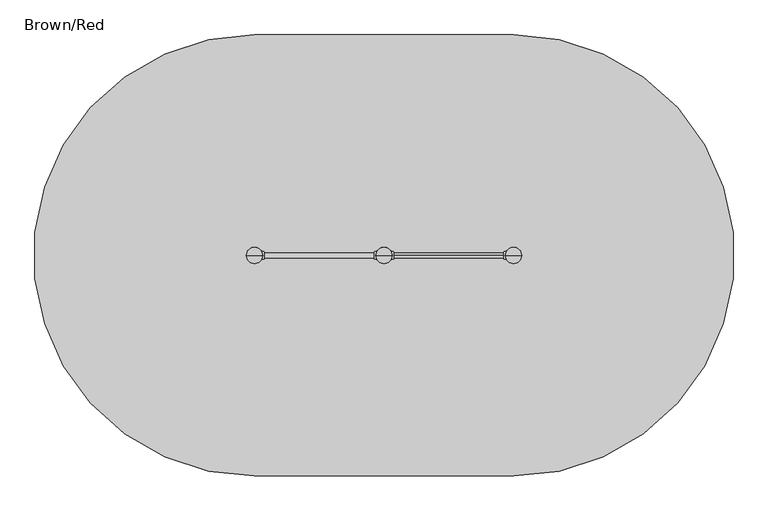
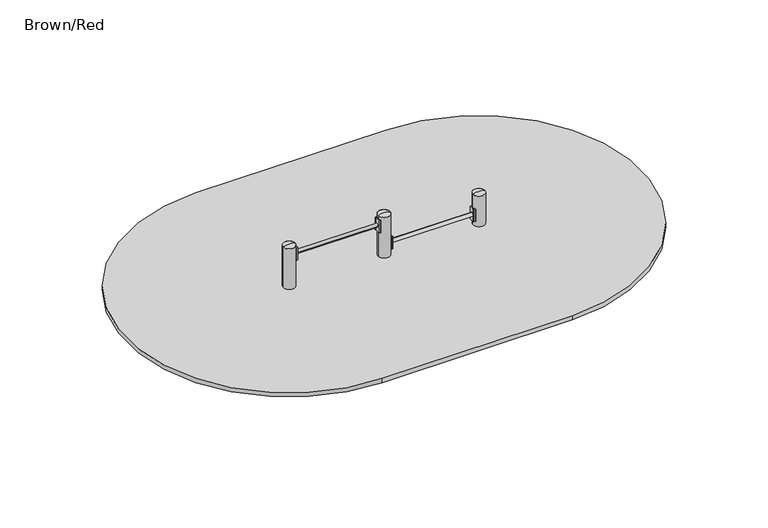
"""IFC4 building model written with IfcOpenShell, lengths in millimetres: furniture geometry, Brown/Red."""

from ifc_helpers import new_model, si_unit, point, frame, frame_2d, origin, place, context, project, spatial, polyline, circle_curve, ellipse_curve, trimmed, segment, composite_curve, outline, extrude, source, transform, mapped, element, save
from ifc_brep_helpers import plane_surface, cylinder_surface, revolved_surface, extruded_surface, advanced_brep


def brown_red_d4ff2e4a(model_context):
    return source(origin(), model_context, "Body", "SolidModel", [
        extrude(outline(composite_curve([segment(trimmed(circle_curve(frame_2d((1165.910865, 174.6300052)), 1.0), [point((1166.7510362, 175.1723266))], [point((1165.5688449, 173.6903126))], False, "CARTESIAN"), True, "CONTINUOUS"), segment(polyline([(1165.5688449, 173.6903126), (1148.891096, 179.7605168)]), True, "CONTINUOUS"), segment(trimmed(circle_curve(frame_2d((1149.2331161, 180.7002094)), 1.0), [point((1148.891096, 179.7605168))], [point((1148.2331161, 180.7002094))], False, "CARTESIAN"), True, "CONTINUOUS"), segment(polyline([(1148.2331161, 180.7002094), (1148.2331161, 229.2997943)]), True, "CONTINUOUS"), segment(trimmed(circle_curve(frame_2d((1149.2331161, 229.2997943)), 1.0), [point((1148.2331161, 229.2997943))], [point((1148.891096, 230.2394869))], False, "CARTESIAN"), True, "CONTINUOUS"), segment(polyline([(1148.891096, 230.2394869), (1165.5688449, 236.3096911)]), True, "CONTINUOUS"), segment(trimmed(circle_curve(frame_2d((1165.910865, 235.3699985)), 1.0), [point((1165.5688449, 236.3096911))], [point((1166.7510362, 234.8276771))], False, "CARTESIAN"), True, "CONTINUOUS"), segment(trimmed(circle_curve(frame_2d((1212.9604485, 205.0000019)), 55.0), [point((1166.7510362, 234.8276771))], [point((1166.7510362, 175.1723266))], True, "CARTESIAN"), True, "CONTINUOUS")], self_intersect=False)), frame((0.0, 0.0, 50.0), z_axis=(0.0, 0.0, 1.0), x_axis=(1.0, 0.0, 0.0)), (0.0, 0.0, 1.0), 120.0),
        extrude(outline(composite_curve([segment(trimmed(circle_curve(frame_2d((380.0829933, 235.3699948)), 1.0), [point((379.2428222, 234.8276734))], [point((380.4250134, 236.3096874))], False, "CARTESIAN"), True, "CONTINUOUS"), segment(polyline([(380.4250134, 236.3096874), (397.1027623, 230.2394832)]), True, "CONTINUOUS"), segment(trimmed(circle_curve(frame_2d((396.7607422, 229.2997906)), 1.0), [point((397.1027623, 230.2394832))], [point((397.7607422, 229.2997906))], False, "CARTESIAN"), True, "CONTINUOUS"), segment(polyline([(397.7607422, 229.2997906), (397.7607422, 180.7002057)]), True, "CONTINUOUS"), segment(trimmed(circle_curve(frame_2d((396.7607422, 180.7002057)), 1.0), [point((397.7607422, 180.7002057))], [point((397.1027623, 179.7605131))], False, "CARTESIAN"), True, "CONTINUOUS"), segment(polyline([(397.1027623, 179.7605131), (380.4250134, 173.6903089)]), True, "CONTINUOUS"), segment(trimmed(circle_curve(frame_2d((380.0829933, 174.6300015)), 1.0), [point((380.4250134, 173.6903089))], [point((379.2428222, 175.1723229))], False, "CARTESIAN"), True, "CONTINUOUS"), segment(trimmed(circle_curve(frame_2d((333.0334098, 204.9999981)), 55.0), [point((379.2428222, 175.1723229))], [point((379.2428222, 234.8276734))], True, "CARTESIAN"), True, "CONTINUOUS")], self_intersect=False)), frame((0.0, 0.0, 50.0), z_axis=(0.0, 0.0, 1.0), x_axis=(1.0, 0.0, 0.0)), (0.0, 0.0, 1.0), 120.0),
        extrude(outline(composite_curve([segment(trimmed(circle_curve(frame_2d((285.9273401, 174.6300052)), 1.0), [point((286.7675113, 175.1723266))], [point((285.58532, 173.6903126))], False, "CARTESIAN"), True, "CONTINUOUS"), segment(polyline([(285.58532, 173.6903126), (268.9075711, 179.7605168)]), True, "CONTINUOUS"), segment(trimmed(circle_curve(frame_2d((269.2495912, 180.7002094)), 1.0), [point((268.9075711, 179.7605168))], [point((268.2495912, 180.7002094))], False, "CARTESIAN"), True, "CONTINUOUS"), segment(polyline([(268.2495912, 180.7002094), (268.2495912, 229.2997943)]), True, "CONTINUOUS"), segment(trimmed(circle_curve(frame_2d((269.2495912, 229.2997943)), 1.0), [point((268.2495912, 229.2997943))], [point((268.9075711, 230.2394869))], False, "CARTESIAN"), True, "CONTINUOUS"), segment(polyline([(268.9075711, 230.2394869), (285.58532, 236.3096911)]), True, "CONTINUOUS"), segment(trimmed(circle_curve(frame_2d((285.9273401, 235.3699985)), 1.0), [point((285.58532, 236.3096911))], [point((286.7675113, 234.8276771))], False, "CARTESIAN"), True, "CONTINUOUS"), segment(trimmed(circle_curve(frame_2d((332.9769236, 205.0000019)), 55.0), [point((286.7675113, 234.8276771))], [point((286.7675113, 175.1723266))], True, "CARTESIAN"), True, "CONTINUOUS")], self_intersect=False)), frame((0.0, 0.0, 250.0), z_axis=(0.0, 0.0, 1.0), x_axis=(1.0, 0.0, 0.0)), (0.0, 0.0, 1.0), 120.0),
        extrude(outline(composite_curve([segment(trimmed(circle_curve(frame_2d((-499.8941457, 235.3699948)), 1.0), [point((-500.7343168, 234.8276734))], [point((-499.5521255, 236.3096874))], False, "CARTESIAN"), True, "CONTINUOUS"), segment(polyline([(-499.5521255, 236.3096874), (-482.8743766, 230.2394832)]), True, "CONTINUOUS"), segment(trimmed(circle_curve(frame_2d((-483.2163968, 229.2997906)), 1.0), [point((-482.8743766, 230.2394832))], [point((-482.2163968, 229.2997906))], False, "CARTESIAN"), True, "CONTINUOUS"), segment(polyline([(-482.2163968, 229.2997906), (-482.2163968, 180.7002057)]), True, "CONTINUOUS"), segment(trimmed(circle_curve(frame_2d((-483.2163968, 180.7002057)), 1.0), [point((-482.2163968, 180.7002057))], [point((-482.8743766, 179.7605131))], False, "CARTESIAN"), True, "CONTINUOUS"), segment(polyline([(-482.8743766, 179.7605131), (-499.5521255, 173.6903089)]), True, "CONTINUOUS"), segment(trimmed(circle_curve(frame_2d((-499.8941457, 174.6300015)), 1.0), [point((-499.5521255, 173.6903089))], [point((-500.7343168, 175.1723229))], False, "CARTESIAN"), True, "CONTINUOUS"), segment(trimmed(circle_curve(frame_2d((-546.9437292, 204.9999981)), 55.0), [point((-500.7343168, 175.1723229))], [point((-500.7343168, 234.8276734))], True, "CARTESIAN"), True, "CONTINUOUS")], self_intersect=False)), frame((0.0, 0.0, 250.0), z_axis=(0.0, 0.0, 1.0), x_axis=(1.0, 0.0, 0.0)), (0.0, 0.0, 1.0), 120.0),
        advanced_brep(
        [(388.0, 205.0, 400.0), (278.0, 205.0, 400.0), (333.0, 205.0, 412.0246565), (333.0, 205.0, 400.0)],
        [
            (0, 1, circle_curve(frame((333.0, 205.0, 400.0), z_axis=(0.0, 0.0, 1.0), x_axis=(-1.0, 0.0, 0.0)), 55.0)),
            (1, 2, circle_curve(frame((328.4549856, 205.0, 301.0177111), z_axis=(0.0, 1.0, 0.0), x_axis=(-1.0, 0.0, 0.0)), 111.0999509)),
            (2, 0, circle_curve(frame((337.5450144, 205.0, 301.0177111), z_axis=(0.0, 1.0, 0.0), x_axis=(1.0, 0.0, 0.0)), 111.0999509)),
            (1, 0, circle_curve(frame((333.0, 205.0, 400.0), z_axis=(0.0, 0.0, 1.0), x_axis=(-1.0, 0.0, 0.0)), 55.0)),
            (3, 1),
            (0, 3),
        ],
        [
            revolved_surface(trimmed(ellipse_curve(frame((328.4549856, 205.0, 301.0177111), z_axis=(0.0, -1.0, 0.0), x_axis=(-1.0, 0.0, 0.0)), 111.0999509, 111.0999509), [point((333.0, 205.0, 412.0246565))], [point((278.0, 205.0, 400.0))], True, "CARTESIAN"), (333.0, 205.0, 19.0), (0.0, 0.0, -1.0)),
            plane_surface(frame((333.0, 205.0, 400.0), z_axis=(0.0, 0.0, -1.0), x_axis=(-1.0, 0.0, 0.0))),
        ],
        [
            (0, [[1, 2, 3]]),
            (0, [[4, -3, -2]]),
            (1, [[5, -1, 6]]),
            (1, [[-6, -4, -5]]),
        ],
    ),
        advanced_brep(
        [(1268.0, 205.0, 300.0), (1158.0, 205.0, 300.0), (1213.0, 205.0, 312.0246565), (1213.0, 205.0, 300.0)],
        [
            (0, 1, circle_curve(frame((1213.0, 205.0, 300.0), z_axis=(0.0, 0.0, 1.0), x_axis=(-1.0, 0.0, 0.0)), 55.0)),
            (1, 2, circle_curve(frame((1208.4549856, 205.0, 201.0177111), z_axis=(0.0, 1.0, 0.0), x_axis=(-1.0, 0.0, 0.0)), 111.0999509)),
            (2, 0, circle_curve(frame((1217.5450144, 205.0, 201.0177111), z_axis=(0.0, 1.0, 0.0), x_axis=(1.0, 0.0, 0.0)), 111.0999509)),
            (1, 0, circle_curve(frame((1213.0, 205.0, 300.0), z_axis=(0.0, 0.0, 1.0), x_axis=(-1.0, 0.0, 0.0)), 55.0)),
            (3, 1),
            (0, 3),
        ],
        [
            revolved_surface(trimmed(ellipse_curve(frame((1208.4549856, 205.0, 201.0177111), z_axis=(0.0, -1.0, 0.0), x_axis=(-1.0, 0.0, 0.0)), 111.0999509, 111.0999509), [point((1213.0, 205.0, 312.0246565))], [point((1158.0, 205.0, 300.0))], True, "CARTESIAN"), (1213.0, 205.0, -81.0), (0.0, 0.0, -1.0)),
            plane_surface(frame((1213.0, 205.0, 300.0), z_axis=(0.0, 0.0, -1.0), x_axis=(-1.0, 0.0, 0.0))),
        ],
        [
            (0, [[1, 2, 3]]),
            (0, [[4, -3, -2]]),
            (1, [[5, -1, 6]]),
            (1, [[-6, -4, -5]]),
        ],
    ),
        advanced_brep(
        [(-492.0, 205.0, 400.0), (-602.0, 205.0, 400.0), (-547.0, 205.0, 412.0246565), (-547.0, 205.0, 400.0)],
        [
            (0, 1, circle_curve(frame((-547.0, 205.0, 400.0), z_axis=(0.0, 0.0, 1.0), x_axis=(-1.0, 0.0, 0.0)), 55.0)),
            (1, 2, circle_curve(frame((-551.5450144, 205.0, 301.0177111), z_axis=(0.0, 1.0, 0.0), x_axis=(-1.0, 0.0, 0.0)), 111.0999509)),
            (2, 0, circle_curve(frame((-542.4549856, 205.0, 301.0177111), z_axis=(0.0, 1.0, 0.0), x_axis=(1.0, 0.0, 0.0)), 111.0999509)),
            (1, 0, circle_curve(frame((-547.0, 205.0, 400.0), z_axis=(0.0, 0.0, 1.0), x_axis=(-1.0, 0.0, 0.0)), 55.0)),
            (3, 1),
            (0, 3),
        ],
        [
            revolved_surface(trimmed(ellipse_curve(frame((-551.5450144, 205.0, 301.0177111), z_axis=(0.0, -1.0, 0.0), x_axis=(-1.0, 0.0, 0.0)), 111.0999509, 111.0999509), [point((-547.0, 205.0, 412.0246565))], [point((-602.0, 205.0, 400.0))], True, "CARTESIAN"), (-547.0, 205.0, 19.0), (0.0, 0.0, -1.0)),
            plane_surface(frame((-547.0, 205.0, 400.0), z_axis=(0.0, 0.0, -1.0), x_axis=(-1.0, 0.0, 0.0))),
        ],
        [
            (0, [[1, 2, 3]]),
            (0, [[4, -3, -2]]),
            (1, [[5, -1, 6]]),
            (1, [[-6, -4, -5]]),
        ],
    ),
        advanced_brep(
        [(1225.5, 277.4599432, -225.0), (1213.0, 277.4599432, -225.0), (1200.5, 277.4599432, -225.0), (1140.5, 217.4599432, -225.0), (1140.5, 192.4599432, -225.0), (1200.5, 132.4599432, -225.0), (1225.5, 132.4599432, -225.0), (1285.5, 192.4599432, -225.0), (1285.5, 217.4599432, -225.0), (1303.0, 355.0, -460.0), (1213.0, 355.0, -460.0), (1123.0, 355.0, -460.0), (1063.0, 295.0, -460.0), (1063.0, 115.0, -460.0), (1123.0, 55.0, -460.0), (1303.0, 55.0, -460.0), (1363.0, 115.0, -460.0), (1363.0, 295.0, -460.0), (1303.0, 355.0, -600.0), (1363.0, 295.0, -600.0), (1363.0, 115.0, -600.0), (1303.0, 55.0, -600.0), (1123.0, 55.0, -600.0), (1063.0, 115.0, -600.0), (1063.0, 295.0, -600.0), (1123.0, 355.0, -600.0), (1213.0, 355.0, -600.0)],
        [
            (0, 1),
            (1, 2),
            (2, 3, circle_curve(frame((1200.5, 217.4599432, -225.0), z_axis=(0.0, 0.0, 1.0), x_axis=(1.0, 0.0, 0.0)), 60.0)),
            (3, 4),
            (4, 5, circle_curve(frame((1200.5, 192.4599432, -225.0), z_axis=(0.0, 0.0, 1.0), x_axis=(1.0, 0.0, 0.0)), 60.0)),
            (5, 6),
            (6, 7, circle_curve(frame((1225.5, 192.4599432, -225.0), z_axis=(0.0, 0.0, 1.0), x_axis=(1.0, 0.0, 0.0)), 60.0)),
            (7, 8),
            (8, 0, circle_curve(frame((1225.5, 217.4599432, -225.0), z_axis=(0.0, 0.0, 1.0), x_axis=(1.0, 0.0, 0.0)), 60.0)),
            (0, 9),
            (9, 10),
            (10, 1),
            (10, 11),
            (11, 2),
            (11, 12, circle_curve(frame((1123.0, 295.0, -460.0), z_axis=(0.0, 0.0, 1.0), x_axis=(1.0, 0.0, 0.0)), 60.0)),
            (12, 3),
            (12, 13),
            (13, 4),
            (13, 14, circle_curve(frame((1123.0, 115.0, -460.0), z_axis=(0.0, 0.0, 1.0), x_axis=(1.0, 0.0, 0.0)), 60.0)),
            (14, 5),
            (14, 15),
            (15, 6),
            (15, 16, circle_curve(frame((1303.0, 115.0, -460.0), z_axis=(0.0, 0.0, 1.0), x_axis=(1.0, 0.0, 0.0)), 60.0)),
            (16, 7),
            (16, 17),
            (17, 8),
            (17, 9, circle_curve(frame((1303.0, 295.0, -460.0), z_axis=(0.0, 0.0, 1.0), x_axis=(1.0, 0.0, 0.0)), 60.0)),
            (18, 19, circle_curve(frame((1303.0, 295.0, -600.0), z_axis=(0.0, 0.0, -1.0), x_axis=(1.0, 0.0, 0.0)), 60.0)),
            (19, 20),
            (20, 21, circle_curve(frame((1303.0, 115.0, -600.0), z_axis=(0.0, 0.0, -1.0), x_axis=(1.0, 0.0, 0.0)), 60.0)),
            (21, 22),
            (22, 23, circle_curve(frame((1123.0, 115.0, -600.0), z_axis=(0.0, 0.0, -1.0), x_axis=(1.0, 0.0, 0.0)), 60.0)),
            (23, 24),
            (24, 25, circle_curve(frame((1123.0, 295.0, -600.0), z_axis=(0.0, 0.0, -1.0), x_axis=(1.0, 0.0, 0.0)), 60.0)),
            (25, 26),
            (26, 18),
            (26, 10),
            (9, 18),
            (25, 11),
            (23, 13),
            (12, 24),
            (21, 15),
            (14, 22),
            (19, 17),
            (16, 20),
        ],
        [
            plane_surface(frame((1213.0, 213.0154988, -225.0), z_axis=(0.0, 0.0, 1.0), x_axis=(-1.0, 0.0, 0.0))),
            plane_surface(frame((1219.25, 277.4599432, -225.0), z_axis=(0.0, 0.9496406059136844, 0.3133412191204512), x_axis=(1.0, 0.0, 0.0))),
            plane_surface(frame((1206.75, 277.4599432, -225.0), z_axis=(0.0, 0.9496406059136843, 0.3133412191204512), x_axis=(1.0, 0.0, 0.0))),
            extruded_surface(trimmed(circle_curve(frame((1200.5, 217.4599432, -225.0), z_axis=(0.0, 0.0, -1.0), x_axis=(1.0, 0.0, 0.0)), 60.0), [point((1140.5, 217.4599432, -225.0))], [point((1200.5, 277.4599432, -225.0))], True, "CARTESIAN"), (-77.5, 77.5400568, -235.0), 259.3139225119763),
            plane_surface(frame((1140.5, 204.9599432, -225.0), z_axis=(-0.9496887635303409, 0.0, 0.31319523052596476), x_axis=(0.0, 1.0, 0.0))),
            extruded_surface(trimmed(circle_curve(frame((1200.5, 192.4599432, -225.0), z_axis=(0.0, 0.0, -1.0), x_axis=(1.0, 0.0, 0.0)), 60.0), [point((1200.5, 132.4599432, -225.0))], [point((1140.5, 192.4599432, -225.0))], True, "CARTESIAN"), (-77.5, -77.4599432, -235.0), 259.2899782107809),
            plane_surface(frame((1213.0, 132.4599432, -225.0), z_axis=(0.0, -0.9497369035840961, 0.3130492197250991), x_axis=(-1.0, 0.0, 0.0))),
            extruded_surface(trimmed(circle_curve(frame((1225.5, 192.4599432, -225.0), z_axis=(0.0, 0.0, -1.0), x_axis=(1.0, 0.0, 0.0)), 60.0), [point((1285.5, 192.4599432, -225.0))], [point((1225.5, 132.4599432, -225.0))], True, "CARTESIAN"), (77.5, -77.4599432, -235.0), 259.2899782107809),
            plane_surface(frame((1285.5, 204.9599432, -225.0), z_axis=(0.9496887635303416, 0.0, 0.3131952305259627), x_axis=(0.0, -1.0, 0.0))),
            extruded_surface(trimmed(circle_curve(frame((1225.5, 217.4599432, -225.0), z_axis=(0.0, 0.0, -1.0), x_axis=(1.0, 0.0, 0.0)), 60.0), [point((1225.5, 277.4599432, -225.0))], [point((1285.5, 217.4599432, -225.0))], True, "CARTESIAN"), (77.5, 77.5400568, -235.0), 259.3139225119763),
            plane_surface(frame((1213.0, 355.0, -600.0), z_axis=(0.0, 0.0, -1.0), x_axis=(1.0, 0.0, 0.0))),
            plane_surface(frame((1303.0, 355.0, -460.0), z_axis=(0.0, 1.0, 0.0), x_axis=(0.0, 0.0, -1.0))),
            plane_surface(frame((1213.0, 355.0, -460.0), z_axis=(0.0, 1.0, 0.0), x_axis=(0.0, 0.0, -1.0))),
            plane_surface(frame((1063.0, 295.0, -460.0), z_axis=(-1.0, 0.0, 0.0), x_axis=(0.0, 0.0, -1.0))),
            plane_surface(frame((1123.0, 55.0, -460.0), z_axis=(0.0, -1.0, 0.0), x_axis=(0.0, 0.0, -1.0))),
            plane_surface(frame((1363.0, 115.0, -460.0), z_axis=(1.0, 0.0, 0.0), x_axis=(0.0, 0.0, -1.0))),
            cylinder_surface(frame((1123.0, 295.0, -600.0), z_axis=(0.0, 0.0, 1.0), x_axis=(1.0, 0.0, 0.0)), 60.0),
            cylinder_surface(frame((1123.0, 115.0, -600.0), z_axis=(0.0, 0.0, 1.0), x_axis=(1.0, 0.0, 0.0)), 60.0),
            cylinder_surface(frame((1303.0, 115.0, -600.0), z_axis=(0.0, 0.0, 1.0), x_axis=(1.0, 0.0, 0.0)), 60.0),
            cylinder_surface(frame((1303.0, 295.0, -600.0), z_axis=(0.0, 0.0, 1.0), x_axis=(1.0, 0.0, 0.0)), 60.0),
        ],
        [
            (0, [[1, 2, 3, 4, 5, 6, 7, 8, 9]]),
            (1, [[-1, 10, 11, 12]]),
            (2, [[-2, -12, 13, 14]]),
            (3, [[-3, -14, 15, 16]]),
            (4, [[-4, -16, 17, 18]]),
            (5, [[-5, -18, 19, 20]]),
            (6, [[-6, -20, 21, 22]]),
            (7, [[-7, -22, 23, 24]]),
            (8, [[-8, -24, 25, 26]]),
            (9, [[-9, -26, 27, -10]]),
            (10, [[28, 29, 30, 31, 32, 33, 34, 35, 36]]),
            (11, [[-36, 37, -11, 38]]),
            (12, [[-35, 39, -13, -37]]),
            (13, [[-33, 40, -17, 41]]),
            (14, [[-31, 42, -21, 43]]),
            (15, [[-29, 44, -25, 45]]),
            (16, [[-34, -41, -15, -39]]),
            (17, [[-32, -43, -19, -40]]),
            (18, [[-30, -45, -23, -42]]),
            (19, [[-28, -38, -27, -44]]),
        ],
    ),
        extrude(outline(composite_curve([segment(trimmed(circle_curve(frame_2d((1213.0, 205.0)), 55.0), [point((1158.0, 205.0))], [point((1268.0, 205.0))], False, "CARTESIAN"), True, "CONTINUOUS"), segment(trimmed(circle_curve(frame_2d((1213.0, 205.0)), 55.0), [point((1268.0, 205.0))], [point((1158.0, 205.0))], False, "CARTESIAN"), True, "CONTINUOUS")], self_intersect=False)), frame((0.0, 0.0, -600.0), z_axis=(0.0, 0.0, 1.0), x_axis=(1.0, 0.0, 0.0)), (0.0, 0.0, 1.0), 500.0),
        advanced_brep(
        [(345.5, 277.4599432, -225.0), (333.0, 277.4599432, -225.0), (320.5, 277.4599432, -225.0), (260.5, 217.4599432, -225.0), (260.5, 192.4599432, -225.0), (320.5, 132.4599432, -225.0), (345.5, 132.4599432, -225.0), (405.5, 192.4599432, -225.0), (405.5, 217.4599432, -225.0), (423.0, 355.0, -460.0), (333.0, 355.0, -460.0), (243.0, 355.0, -460.0), (183.0, 295.0, -460.0), (183.0, 115.0, -460.0), (243.0, 55.0, -460.0), (423.0, 55.0, -460.0), (483.0, 115.0, -460.0), (483.0, 295.0, -460.0), (423.0, 355.0, -600.0), (483.0, 295.0, -600.0), (483.0, 115.0, -600.0), (423.0, 55.0, -600.0), (243.0, 55.0, -600.0), (183.0, 115.0, -600.0), (183.0, 295.0, -600.0), (243.0, 355.0, -600.0), (333.0, 355.0, -600.0)],
        [
            (0, 1),
            (1, 2),
            (2, 3, circle_curve(frame((320.5, 217.4599432, -225.0), z_axis=(0.0, 0.0, 1.0), x_axis=(1.0, 0.0, 0.0)), 60.0)),
            (3, 4),
            (4, 5, circle_curve(frame((320.5, 192.4599432, -225.0), z_axis=(0.0, 0.0, 1.0), x_axis=(1.0, 0.0, 0.0)), 60.0)),
            (5, 6),
            (6, 7, circle_curve(frame((345.5, 192.4599432, -225.0), z_axis=(0.0, 0.0, 1.0), x_axis=(1.0, 0.0, 0.0)), 60.0)),
            (7, 8),
            (8, 0, circle_curve(frame((345.5, 217.4599432, -225.0), z_axis=(0.0, 0.0, 1.0), x_axis=(1.0, 0.0, 0.0)), 60.0)),
            (0, 9),
            (9, 10),
            (10, 1),
            (10, 11),
            (11, 2),
            (11, 12, circle_curve(frame((243.0, 295.0, -460.0), z_axis=(0.0, 0.0, 1.0), x_axis=(1.0, 0.0, 0.0)), 60.0)),
            (12, 3),
            (12, 13),
            (13, 4),
            (13, 14, circle_curve(frame((243.0, 115.0, -460.0), z_axis=(0.0, 0.0, 1.0), x_axis=(1.0, 0.0, 0.0)), 60.0)),
            (14, 5),
            (14, 15),
            (15, 6),
            (15, 16, circle_curve(frame((423.0, 115.0, -460.0), z_axis=(0.0, 0.0, 1.0), x_axis=(1.0, 0.0, 0.0)), 60.0)),
            (16, 7),
            (16, 17),
            (17, 8),
            (17, 9, circle_curve(frame((423.0, 295.0, -460.0), z_axis=(0.0, 0.0, 1.0), x_axis=(1.0, 0.0, 0.0)), 60.0)),
            (18, 19, circle_curve(frame((423.0, 295.0, -600.0), z_axis=(0.0, 0.0, -1.0), x_axis=(1.0, 0.0, 0.0)), 60.0)),
            (19, 20),
            (20, 21, circle_curve(frame((423.0, 115.0, -600.0), z_axis=(0.0, 0.0, -1.0), x_axis=(1.0, 0.0, 0.0)), 60.0)),
            (21, 22),
            (22, 23, circle_curve(frame((243.0, 115.0, -600.0), z_axis=(0.0, 0.0, -1.0), x_axis=(1.0, 0.0, 0.0)), 60.0)),
            (23, 24),
            (24, 25, circle_curve(frame((243.0, 295.0, -600.0), z_axis=(0.0, 0.0, -1.0), x_axis=(1.0, 0.0, 0.0)), 60.0)),
            (25, 26),
            (26, 18),
            (26, 10),
            (9, 18),
            (25, 11),
            (23, 13),
            (12, 24),
            (21, 15),
            (14, 22),
            (19, 17),
            (16, 20),
        ],
        [
            plane_surface(frame((333.0, 213.0154988, -225.0), z_axis=(0.0, 0.0, 1.0), x_axis=(-1.0, 0.0, 0.0))),
            plane_surface(frame((339.25, 277.4599432, -225.0), z_axis=(0.0, 0.9496406059136844, 0.3133412191204512), x_axis=(1.0, 0.0, 0.0))),
            plane_surface(frame((326.75, 277.4599432, -225.0), z_axis=(0.0, 0.9496406059136843, 0.3133412191204512), x_axis=(1.0, 0.0, 0.0))),
            extruded_surface(trimmed(circle_curve(frame((320.5, 217.4599432, -225.0), z_axis=(0.0, 0.0, -1.0), x_axis=(1.0, 0.0, 0.0)), 60.0), [point((260.5, 217.4599432, -225.0))], [point((320.5, 277.4599432, -225.0))], True, "CARTESIAN"), (-77.5, 77.5400568, -235.0), 259.3139225119763),
            plane_surface(frame((260.5, 204.9599432, -225.0), z_axis=(-0.9496887635303409, 0.0, 0.31319523052596476), x_axis=(0.0, 1.0, 0.0))),
            extruded_surface(trimmed(circle_curve(frame((320.5, 192.4599432, -225.0), z_axis=(0.0, 0.0, -1.0), x_axis=(1.0, 0.0, 0.0)), 60.0), [point((320.5, 132.4599432, -225.0))], [point((260.5, 192.4599432, -225.0))], True, "CARTESIAN"), (-77.5, -77.4599432, -235.0), 259.2899782107809),
            plane_surface(frame((333.0, 132.4599432, -225.0), z_axis=(0.0, -0.9497369035840961, 0.3130492197250991), x_axis=(-1.0, 0.0, 0.0))),
            extruded_surface(trimmed(circle_curve(frame((345.5, 192.4599432, -225.0), z_axis=(0.0, 0.0, -1.0), x_axis=(1.0, 0.0, 0.0)), 60.0), [point((405.5, 192.4599432, -225.0))], [point((345.5, 132.4599432, -225.0))], True, "CARTESIAN"), (77.5, -77.4599432, -235.0), 259.2899782107809),
            plane_surface(frame((405.5, 204.9599432, -225.0), z_axis=(0.9496887635303416, 0.0, 0.3131952305259627), x_axis=(0.0, -1.0, 0.0))),
            extruded_surface(trimmed(circle_curve(frame((345.5, 217.4599432, -225.0), z_axis=(0.0, 0.0, -1.0), x_axis=(1.0, 0.0, 0.0)), 60.0), [point((345.5, 277.4599432, -225.0))], [point((405.5, 217.4599432, -225.0))], True, "CARTESIAN"), (77.5, 77.5400568, -235.0), 259.3139225119763),
            plane_surface(frame((333.0, 355.0, -600.0), z_axis=(0.0, 0.0, -1.0), x_axis=(1.0, 0.0, 0.0))),
            plane_surface(frame((423.0, 355.0, -460.0), z_axis=(0.0, 1.0, 0.0), x_axis=(0.0, 0.0, -1.0))),
            plane_surface(frame((333.0, 355.0, -460.0), z_axis=(0.0, 1.0, 0.0), x_axis=(0.0, 0.0, -1.0))),
            plane_surface(frame((183.0, 295.0, -460.0), z_axis=(-1.0, 0.0, 0.0), x_axis=(0.0, 0.0, -1.0))),
            plane_surface(frame((243.0, 55.0, -460.0), z_axis=(0.0, -1.0, 0.0), x_axis=(0.0, 0.0, -1.0))),
            plane_surface(frame((483.0, 115.0, -460.0), z_axis=(1.0, 0.0, 0.0), x_axis=(0.0, 0.0, -1.0))),
            cylinder_surface(frame((243.0, 295.0, -600.0), z_axis=(0.0, 0.0, 1.0), x_axis=(1.0, 0.0, 0.0)), 60.0),
            cylinder_surface(frame((243.0, 115.0, -600.0), z_axis=(0.0, 0.0, 1.0), x_axis=(1.0, 0.0, 0.0)), 60.0),
            cylinder_surface(frame((423.0, 115.0, -600.0), z_axis=(0.0, 0.0, 1.0), x_axis=(1.0, 0.0, 0.0)), 60.0),
            cylinder_surface(frame((423.0, 295.0, -600.0), z_axis=(0.0, 0.0, 1.0), x_axis=(1.0, 0.0, 0.0)), 60.0),
        ],
        [
            (0, [[1, 2, 3, 4, 5, 6, 7, 8, 9]]),
            (1, [[-1, 10, 11, 12]]),
            (2, [[-2, -12, 13, 14]]),
            (3, [[-3, -14, 15, 16]]),
            (4, [[-4, -16, 17, 18]]),
            (5, [[-5, -18, 19, 20]]),
            (6, [[-6, -20, 21, 22]]),
            (7, [[-7, -22, 23, 24]]),
            (8, [[-8, -24, 25, 26]]),
            (9, [[-9, -26, 27, -10]]),
            (10, [[28, 29, 30, 31, 32, 33, 34, 35, 36]]),
            (11, [[-36, 37, -11, 38]]),
            (12, [[-35, 39, -13, -37]]),
            (13, [[-33, 40, -17, 41]]),
            (14, [[-31, 42, -21, 43]]),
            (15, [[-29, 44, -25, 45]]),
            (16, [[-34, -41, -15, -39]]),
            (17, [[-32, -43, -19, -40]]),
            (18, [[-30, -45, -23, -42]]),
            (19, [[-28, -38, -27, -44]]),
        ],
    ),
        extrude(outline(composite_curve([segment(trimmed(circle_curve(frame_2d((333.0, 205.0)), 55.0), [point((278.0, 205.0))], [point((388.0, 205.0))], False, "CARTESIAN"), True, "CONTINUOUS"), segment(trimmed(circle_curve(frame_2d((333.0, 205.0)), 55.0), [point((388.0, 205.0))], [point((278.0, 205.0))], False, "CARTESIAN"), True, "CONTINUOUS")], self_intersect=False)), frame((0.0, 0.0, -600.0), z_axis=(0.0, 0.0, 1.0), x_axis=(1.0, 0.0, 0.0)), (0.0, 0.0, 1.0), 500.0),
        advanced_brep(
        [(-534.5, 277.4599432, -225.0), (-547.0, 277.4599432, -225.0), (-559.5, 277.4599432, -225.0), (-619.5, 217.4599432, -225.0), (-619.5, 192.4599432, -225.0), (-559.5, 132.4599432, -225.0), (-534.5, 132.4599432, -225.0), (-474.5, 192.4599432, -225.0), (-474.5, 217.4599432, -225.0), (-457.0, 355.0, -460.0), (-547.0, 355.0, -460.0), (-637.0, 355.0, -460.0), (-697.0, 295.0, -460.0), (-697.0, 115.0, -460.0), (-637.0, 55.0, -460.0), (-457.0, 55.0, -460.0), (-397.0, 115.0, -460.0), (-397.0, 295.0, -460.0), (-457.0, 355.0, -600.0), (-397.0, 295.0, -600.0), (-397.0, 115.0, -600.0), (-457.0, 55.0, -600.0), (-637.0, 55.0, -600.0), (-697.0, 115.0, -600.0), (-697.0, 295.0, -600.0), (-637.0, 355.0, -600.0), (-547.0, 355.0, -600.0)],
        [
            (0, 1),
            (1, 2),
            (2, 3, circle_curve(frame((-559.5, 217.4599432, -225.0), z_axis=(0.0, 0.0, 1.0), x_axis=(1.0, 0.0, 0.0)), 60.0)),
            (3, 4),
            (4, 5, circle_curve(frame((-559.5, 192.4599432, -225.0), z_axis=(0.0, 0.0, 1.0), x_axis=(1.0, 0.0, 0.0)), 60.0)),
            (5, 6),
            (6, 7, circle_curve(frame((-534.5, 192.4599432, -225.0), z_axis=(0.0, 0.0, 1.0), x_axis=(1.0, 0.0, 0.0)), 60.0)),
            (7, 8),
            (8, 0, circle_curve(frame((-534.5, 217.4599432, -225.0), z_axis=(0.0, 0.0, 1.0), x_axis=(1.0, 0.0, 0.0)), 60.0)),
            (0, 9),
            (9, 10),
            (10, 1),
            (10, 11),
            (11, 2),
            (11, 12, circle_curve(frame((-637.0, 295.0, -460.0), z_axis=(0.0, 0.0, 1.0), x_axis=(1.0, 0.0, 0.0)), 60.0)),
            (12, 3),
            (12, 13),
            (13, 4),
            (13, 14, circle_curve(frame((-637.0, 115.0, -460.0), z_axis=(0.0, 0.0, 1.0), x_axis=(1.0, 0.0, 0.0)), 60.0)),
            (14, 5),
            (14, 15),
            (15, 6),
            (15, 16, circle_curve(frame((-457.0, 115.0, -460.0), z_axis=(0.0, 0.0, 1.0), x_axis=(1.0, 0.0, 0.0)), 60.0)),
            (16, 7),
            (16, 17),
            (17, 8),
            (17, 9, circle_curve(frame((-457.0, 295.0, -460.0), z_axis=(0.0, 0.0, 1.0), x_axis=(1.0, 0.0, 0.0)), 60.0)),
            (18, 19, circle_curve(frame((-457.0, 295.0, -600.0), z_axis=(0.0, 0.0, -1.0), x_axis=(1.0, 0.0, 0.0)), 60.0)),
            (19, 20),
            (20, 21, circle_curve(frame((-457.0, 115.0, -600.0), z_axis=(0.0, 0.0, -1.0), x_axis=(1.0, 0.0, 0.0)), 60.0)),
            (21, 22),
            (22, 23, circle_curve(frame((-637.0, 115.0, -600.0), z_axis=(0.0, 0.0, -1.0), x_axis=(1.0, 0.0, 0.0)), 60.0)),
            (23, 24),
            (24, 25, circle_curve(frame((-637.0, 295.0, -600.0), z_axis=(0.0, 0.0, -1.0), x_axis=(1.0, 0.0, 0.0)), 60.0)),
            (25, 26),
            (26, 18),
            (26, 10),
            (9, 18),
            (25, 11),
            (23, 13),
            (12, 24),
            (21, 15),
            (14, 22),
            (19, 17),
            (16, 20),
        ],
        [
            plane_surface(frame((-547.0, 213.0154988, -225.0), z_axis=(0.0, 0.0, 1.0), x_axis=(-1.0, 0.0, 0.0))),
            plane_surface(frame((-540.75, 277.4599432, -225.0), z_axis=(0.0, 0.9496406059136844, 0.3133412191204512), x_axis=(1.0, 0.0, 0.0))),
            plane_surface(frame((-553.25, 277.4599432, -225.0), z_axis=(0.0, 0.9496406059136843, 0.3133412191204512), x_axis=(1.0, 0.0, 0.0))),
            extruded_surface(trimmed(circle_curve(frame((-559.5, 217.4599432, -225.0), z_axis=(0.0, 0.0, -1.0), x_axis=(1.0, 0.0, 0.0)), 60.0), [point((-619.5, 217.4599432, -225.0))], [point((-559.5, 277.4599432, -225.0))], True, "CARTESIAN"), (-77.5, 77.5400568, -235.0), 259.3139225119763),
            plane_surface(frame((-619.5, 204.9599432, -225.0), z_axis=(-0.9496887635303409, 0.0, 0.31319523052596476), x_axis=(0.0, 1.0, 0.0))),
            extruded_surface(trimmed(circle_curve(frame((-559.5, 192.4599432, -225.0), z_axis=(0.0, 0.0, -1.0), x_axis=(1.0, 0.0, 0.0)), 60.0), [point((-559.5, 132.4599432, -225.0))], [point((-619.5, 192.4599432, -225.0))], True, "CARTESIAN"), (-77.5, -77.4599432, -235.0), 259.2899782107809),
            plane_surface(frame((-547.0, 132.4599432, -225.0), z_axis=(0.0, -0.9497369035840961, 0.3130492197250991), x_axis=(-1.0, 0.0, 0.0))),
            extruded_surface(trimmed(circle_curve(frame((-534.5, 192.4599432, -225.0), z_axis=(0.0, 0.0, -1.0), x_axis=(1.0, 0.0, 0.0)), 60.0), [point((-474.5, 192.4599432, -225.0))], [point((-534.5, 132.4599432, -225.0))], True, "CARTESIAN"), (77.5, -77.4599432, -235.0), 259.2899782107809),
            plane_surface(frame((-474.5, 204.9599432, -225.0), z_axis=(0.9496887635303416, 0.0, 0.3131952305259627), x_axis=(0.0, -1.0, 0.0))),
            extruded_surface(trimmed(circle_curve(frame((-534.5, 217.4599432, -225.0), z_axis=(0.0, 0.0, -1.0), x_axis=(1.0, 0.0, 0.0)), 60.0), [point((-534.5, 277.4599432, -225.0))], [point((-474.5, 217.4599432, -225.0))], True, "CARTESIAN"), (77.5, 77.5400568, -235.0), 259.3139225119763),
            plane_surface(frame((-547.0, 355.0, -600.0), z_axis=(0.0, 0.0, -1.0), x_axis=(1.0, 0.0, 0.0))),
            plane_surface(frame((-457.0, 355.0, -460.0), z_axis=(0.0, 1.0, 0.0), x_axis=(0.0, 0.0, -1.0))),
            plane_surface(frame((-547.0, 355.0, -460.0), z_axis=(0.0, 1.0, 0.0), x_axis=(0.0, 0.0, -1.0))),
            plane_surface(frame((-697.0, 295.0, -460.0), z_axis=(-1.0, 0.0, 0.0), x_axis=(0.0, 0.0, -1.0))),
            plane_surface(frame((-637.0, 55.0, -460.0), z_axis=(0.0, -1.0, 0.0), x_axis=(0.0, 0.0, -1.0))),
            plane_surface(frame((-397.0, 115.0, -460.0), z_axis=(1.0, 0.0, 0.0), x_axis=(0.0, 0.0, -1.0))),
            cylinder_surface(frame((-637.0, 295.0, -600.0), z_axis=(0.0, 0.0, 1.0), x_axis=(1.0, 0.0, 0.0)), 60.0),
            cylinder_surface(frame((-637.0, 115.0, -600.0), z_axis=(0.0, 0.0, 1.0), x_axis=(1.0, 0.0, 0.0)), 60.0),
            cylinder_surface(frame((-457.0, 115.0, -600.0), z_axis=(0.0, 0.0, 1.0), x_axis=(1.0, 0.0, 0.0)), 60.0),
            cylinder_surface(frame((-457.0, 295.0, -600.0), z_axis=(0.0, 0.0, 1.0), x_axis=(1.0, 0.0, 0.0)), 60.0),
        ],
        [
            (0, [[1, 2, 3, 4, 5, 6, 7, 8, 9]]),
            (1, [[-1, 10, 11, 12]]),
            (2, [[-2, -12, 13, 14]]),
            (3, [[-3, -14, 15, 16]]),
            (4, [[-4, -16, 17, 18]]),
            (5, [[-5, -18, 19, 20]]),
            (6, [[-6, -20, 21, 22]]),
            (7, [[-7, -22, 23, 24]]),
            (8, [[-8, -24, 25, 26]]),
            (9, [[-9, -26, 27, -10]]),
            (10, [[28, 29, 30, 31, 32, 33, 34, 35, 36]]),
            (11, [[-36, 37, -11, 38]]),
            (12, [[-35, 39, -13, -37]]),
            (13, [[-33, 40, -17, 41]]),
            (14, [[-31, 42, -21, 43]]),
            (15, [[-29, 44, -25, 45]]),
            (16, [[-34, -41, -15, -39]]),
            (17, [[-32, -43, -19, -40]]),
            (18, [[-30, -45, -23, -42]]),
            (19, [[-28, -38, -27, -44]]),
        ],
    ),
        extrude(outline(composite_curve([segment(trimmed(circle_curve(frame_2d((-547.0, 205.0)), 55.0), [point((-602.0, 205.0))], [point((-492.0, 205.0))], False, "CARTESIAN"), True, "CONTINUOUS"), segment(trimmed(circle_curve(frame_2d((-547.0, 205.0)), 55.0), [point((-492.0, 205.0))], [point((-602.0, 205.0))], False, "CARTESIAN"), True, "CONTINUOUS")], self_intersect=False)), frame((0.0, 0.0, -600.0), z_axis=(0.0, 0.0, 1.0), x_axis=(1.0, 0.0, 0.0)), (0.0, 0.0, 1.0), 500.0),
        extrude(outline(composite_curve([segment(trimmed(circle_curve(frame_2d((1213.0, 205.0)), 55.0), [point((1158.0, 205.0))], [point((1268.0, 205.0))], False, "CARTESIAN"), True, "CONTINUOUS"), segment(trimmed(circle_curve(frame_2d((1213.0, 205.0)), 55.0), [point((1268.0, 205.0))], [point((1158.0, 205.0))], False, "CARTESIAN"), True, "CONTINUOUS")], self_intersect=False)), frame((0.0, 0.0, -100.0), z_axis=(0.0, 0.0, 1.0), x_axis=(1.0, 0.0, 0.0)), (0.0, 0.0, 1.0), 400.0),
        extrude(outline(composite_curve([segment(trimmed(circle_curve(frame_2d((1213.0, 205.0)), 1500.0), [point((1213.0, 1705.0))], [point((1213.0, -1295.0))], False, "CARTESIAN"), True, "CONTINUOUS"), segment(polyline([(1213.0, -1295.0), (-547.0, -1295.0)]), True, "CONTINUOUS"), segment(trimmed(circle_curve(frame_2d((-547.0, 205.0)), 1500.0), [point((-547.0, -1295.0))], [point((-547.0, 1705.0))], False, "CARTESIAN"), True, "CONTINUOUS"), segment(polyline([(-547.0, 1705.0), (1213.0, 1705.0)]), True, "CONTINUOUS")], self_intersect=False)), frame((0.0, 0.0, -40.0), z_axis=(0.0, 0.0, 1.0), x_axis=(1.0, 0.0, 0.0)), (0.0, 0.0, 1.0), 41.0),
        extrude(outline(composite_curve([segment(trimmed(circle_curve(frame_2d((205.0, 110.0)), 17.0), [point((205.0, 127.0))], [point((205.0, 93.0))], False, "CARTESIAN"), True, "CONTINUOUS"), segment(trimmed(circle_curve(frame_2d((205.0, 110.0)), 17.0), [point((205.0, 93.0))], [point((205.0, 127.0))], False, "CARTESIAN"), True, "CONTINUOUS")], self_intersect=False)), frame((397.7607422, 0.0, 0.0), z_axis=(1.0, 0.0, 0.0), x_axis=(0.0, 1.0, 0.0)), (0.0, 0.0, 1.0), 750.472374),
        extrude(outline(composite_curve([segment(trimmed(circle_curve(frame_2d((-547.0, 205.0)), 55.0), [point((-602.0, 205.0))], [point((-492.0, 205.0))], False, "CARTESIAN"), True, "CONTINUOUS"), segment(trimmed(circle_curve(frame_2d((-547.0, 205.0)), 55.0), [point((-492.0, 205.0))], [point((-602.0, 205.0))], False, "CARTESIAN"), True, "CONTINUOUS")], self_intersect=False)), frame((0.0, 0.0, -100.0), z_axis=(0.0, 0.0, 1.0), x_axis=(1.0, 0.0, 0.0)), (0.0, 0.0, 1.0), 500.0),
        extrude(outline(composite_curve([segment(trimmed(circle_curve(frame_2d((333.0, 205.0)), 55.0), [point((278.0, 205.0))], [point((388.0, 205.0))], False, "CARTESIAN"), True, "CONTINUOUS"), segment(trimmed(circle_curve(frame_2d((333.0, 205.0)), 55.0), [point((388.0, 205.0))], [point((278.0, 205.0))], False, "CARTESIAN"), True, "CONTINUOUS")], self_intersect=False)), frame((0.0, 0.0, -100.0), z_axis=(0.0, 0.0, 1.0), x_axis=(1.0, 0.0, 0.0)), (0.0, 0.0, 1.0), 500.0),
        extrude(outline(composite_curve([segment(trimmed(circle_curve(frame_2d((205.0, 310.0)), 17.0), [point((188.0, 310.0))], [point((222.0, 310.0))], False, "CARTESIAN"), True, "CONTINUOUS"), segment(trimmed(circle_curve(frame_2d((205.0, 310.0)), 17.0), [point((222.0, 310.0))], [point((188.0, 310.0))], False, "CARTESIAN"), True, "CONTINUOUS")], self_intersect=False)), frame((-482.2163968, 0.0, 0.0), z_axis=(1.0, 0.0, 0.0), x_axis=(0.0, 1.0, 0.0)), (0.0, 0.0, 1.0), 750.465988),
    ])


if __name__ == "__main__":
    model = new_model("IFC4")
    model_context = context("Model", 3, world=origin())
    ifc_project = project(units=[si_unit("LENGTHUNIT", "METRE", prefix="MILLI")], contexts=[model_context])
    site = spatial("IfcSite", under=ifc_project)
    building = spatial("IfcBuilding", under=site)
    placement = place(None, origin())
    brown_red_shape = brown_red_d4ff2e4a(model_context)
    element("IfcFurniture", 1, ObjectType="Brown/Red", at=placement, inside=building, context=model_context, shape_type="MappedRepresentation", body=[
        mapped(brown_red_shape, transform((0.0, 0.0, 0.0), x_axis=(1.0, 0.0, 0.0), y_axis=(0.0, 1.0, 0.0), z_axis=(0.0, 0.0, 1.0))),
    ])
    save(model, "model.ifc")
